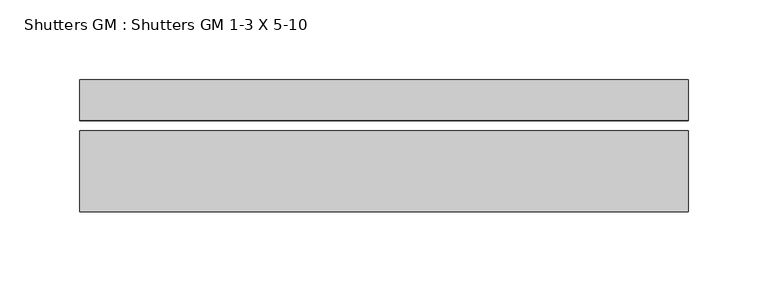
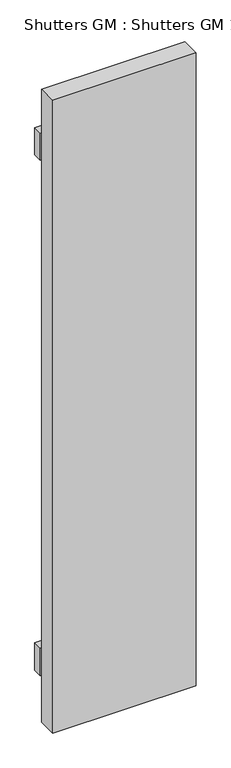
"""IFC4 building model written with IfcOpenShell, lengths in millimetres: proxy geometry, Shutters GM : Shutters GM 1-3 X 5-10."""

from ifc_helpers import new_model, si_unit, frame, origin, place, context, project, spatial, polyline, outline, extrude, source, transform, mapped, element, save


def shutters_gm_shutters_gm_1_3_x_5_10_1826d123(model_context):
    return source(origin(), model_context, "Body", "SweptSolid", [
        extrude(outline(polyline([(-190.5, 152.4), (190.5, 152.4), (190.5, 127.0), (-190.5, 127.0), (-190.5, 152.4)])), frame((0.0, 0.0, 1171.1257333), z_axis=(0.0, 0.0, 1.0), x_axis=(1.0, 0.0, 0.0)), (0.0, 0.0, 1.0), 76.2),
        extrude(outline(polyline([(-190.5, 152.4), (190.5, 152.4), (190.5, 127.0), (-190.5, 127.0), (-190.5, 152.4)])), frame((0.0, 0.0, 2618.9257333), z_axis=(0.0, 0.0, 1.0), x_axis=(1.0, 0.0, 0.0)), (0.0, 0.0, 1.0), 76.2),
        extrude(outline(polyline([(190.5, 69.85), (-190.5, 69.85), (-190.5, 120.65), (190.5, 120.65), (190.5, 69.85)])), frame((0.0, 0.0, 1044.1257333), z_axis=(0.0, 0.0, 1.0), x_axis=(1.0, 0.0, 0.0)), (0.0, 0.0, 1.0), 1778.0),
    ])


if __name__ == "__main__":
    model = new_model("IFC4")
    model_context = context("Model", 3, world=origin())
    ifc_project = project(units=[si_unit("LENGTHUNIT", "METRE", prefix="MILLI")], contexts=[model_context])
    site = spatial("IfcSite", under=ifc_project)
    building = spatial("IfcBuilding", under=site)
    placement = place(None, origin())
    shutters_gm_shutters_gm_1_3_x_5_10_shape = shutters_gm_shutters_gm_1_3_x_5_10_1826d123(model_context)
    element("IfcBuildingElementProxy", 1, Name="Shutters GM : Shutters GM 1-3 X 5-10", ObjectType="Shutters GM : Shutters GM 1-3 X 5-10", at=placement, inside=building, context=model_context, shape_type="MappedRepresentation", body=[
        mapped(shutters_gm_shutters_gm_1_3_x_5_10_shape, transform((0.0, 0.0, 0.0), x_axis=(1.0, 0.0, 0.0), y_axis=(0.0, 1.0, 0.0), z_axis=(0.0, 0.0, 1.0))),
    ])
    save(model, "model.ifc")
